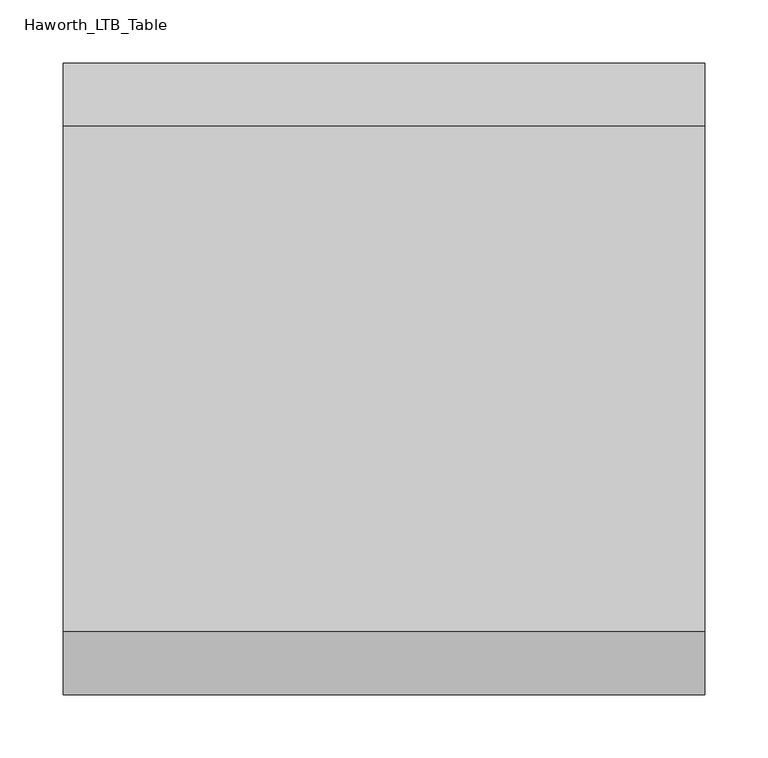
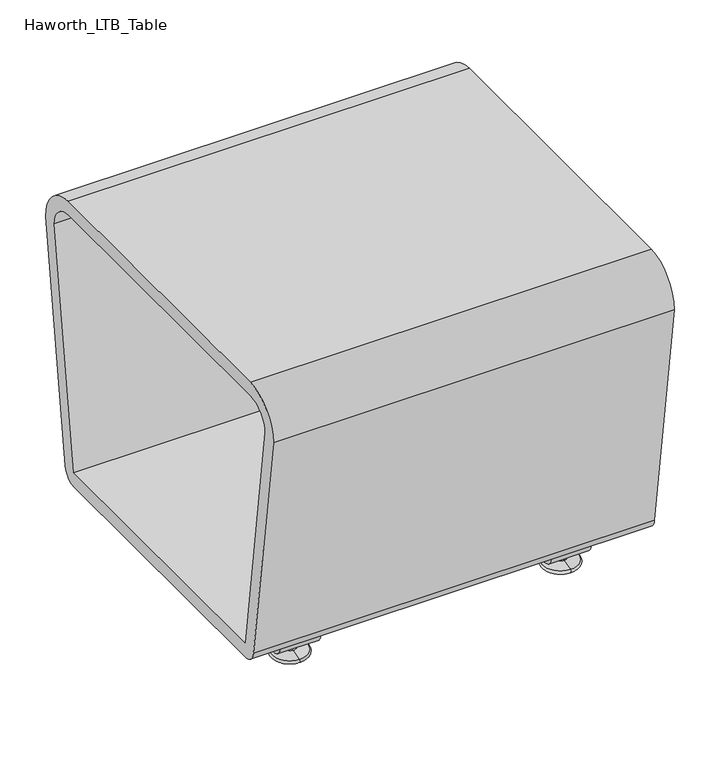
"""IFC4 building model written with IfcOpenShell, lengths in millimetres: furniture geometry, Haworth_LTB_Table."""

from ifc_helpers import new_model, si_unit, point, frame, frame_2d, origin, place, context, project, spatial, polyline, circle_curve, ellipse_curve, trimmed, segment, composite_curve, outline, extrude, source, transform, mapped, element, save
from ifc_brep_helpers import plane_surface, cylinder_surface, revolved_surface, advanced_brep


def haworth_ltb_table_1a22ce01(model_context):
    return source(origin(), model_context, "Body", "SolidModel", [
        advanced_brep(
        [(272.9954642, 579.3425052, 7.8133431), (272.9954642, 595.3355515, 7.8133431), (272.9954642, 592.1015284, 7.8133431), (272.9954642, 582.5765284, 7.8133431), (272.9954642, 565.4001513, 4.0775), (272.9954642, 609.2779054, 4.0775), (272.9954642, 565.8107026, 0.0), (272.9954642, 608.8673542, 0.0), (272.9954642, 587.3390284, 0.0), (272.9954642, 582.5765284, 50.0000004), (272.9954642, 592.1015284, 50.0000004), (272.9954642, 587.3390284, 50.0000004)],
        [
            (0, 1, circle_curve(frame((272.9954642, 587.3390284, 7.8133431), z_axis=(0.0, 0.0, 1.0), x_axis=(0.0, 1.0, 0.0)), 7.9965232)),
            (1, 2),
            (2, 3, circle_curve(frame((272.9954642, 587.3390284, 7.8133431), z_axis=(0.0, 0.0, -1.0), x_axis=(0.0, 1.0, 0.0)), 4.7625)),
            (3, 0),
            (1, 0, circle_curve(frame((272.9954642, 587.3390284, 7.8133431), z_axis=(0.0, 0.0, 1.0), x_axis=(0.0, 1.0, 0.0)), 7.9965232)),
            (3, 2, circle_curve(frame((272.9954642, 587.3390284, 7.8133431), z_axis=(0.0, 0.0, -1.0), x_axis=(0.0, 1.0, 0.0)), 4.7625)),
            (4, 5, circle_curve(frame((272.9954642, 587.3390284, 4.0775), z_axis=(0.0, 0.0, 1.0), x_axis=(0.0, 1.0, 0.0)), 21.9388771)),
            (5, 1),
            (0, 4),
            (5, 4, circle_curve(frame((272.9954642, 587.3390284, 4.0775), z_axis=(0.0, 0.0, 1.0), x_axis=(0.0, 1.0, 0.0)), 21.9388771)),
            (6, 7, circle_curve(frame((272.9954642, 587.3390284, 0.0), z_axis=(0.0, 0.0, 1.0), x_axis=(0.0, 1.0, 0.0)), 21.5283258)),
            (7, 5, circle_curve(frame((272.9954642, 608.7405822, 2.0721829), z_axis=(1.0, 0.0, 0.0), x_axis=(0.0, -1.0, 0.0)), 2.0760571)),
            (4, 6, circle_curve(frame((272.9954642, 565.9374745, 2.0721829), z_axis=(1.0, 0.0, 0.0), x_axis=(0.0, 1.0, 0.0)), 2.0760571)),
            (7, 6, circle_curve(frame((272.9954642, 587.3390284, 0.0), z_axis=(0.0, 0.0, 1.0), x_axis=(0.0, 1.0, 0.0)), 21.5283258)),
            (8, 7),
            (6, 8),
            (9, 10, circle_curve(frame((272.9954642, 587.3390284, 50.0000004), z_axis=(0.0, 0.0, 1.0), x_axis=(0.0, 1.0, 0.0)), 4.7625)),
            (10, 11),
            (11, 9),
            (10, 9, circle_curve(frame((272.9954642, 587.3390284, 50.0000004), z_axis=(0.0, 0.0, 1.0), x_axis=(0.0, 1.0, 0.0)), 4.7625)),
            (2, 10),
            (9, 3),
        ],
        [
            plane_surface(frame((272.9954642, 587.3390284, 7.8133431), z_axis=(0.0, 0.0, 1.0), x_axis=(0.0, 1.0, 0.0))),
            revolved_surface(polyline([(272.9954642, 595.3355515, 7.8133431), (272.9954642, 609.2779054, 4.0775)]), (272.9954642, 587.3390284, 0.0), (0.0, 0.0, -1.0)),
            revolved_surface(trimmed(ellipse_curve(frame((272.9954642, 608.7405822, 2.0721829), z_axis=(-1.0, 0.0, 0.0), x_axis=(0.0, -1.0, 0.0)), 2.0760571, 2.0760571), [point((272.9954642, 609.2779054, 4.0775))], [point((272.9954642, 608.8673542, 0.0))], True, "CARTESIAN"), (272.9954642, 587.3390284, 0.0), (0.0, 0.0, -1.0)),
            plane_surface(frame((272.9954642, 587.3390284, 0.0), z_axis=(0.0, 0.0, -1.0), x_axis=(0.0, 1.0, 0.0))),
            plane_surface(frame((272.9954642, 587.3390284, 50.0000004), z_axis=(0.0, 0.0, 1.0), x_axis=(0.0, 1.0, 0.0))),
            cylinder_surface(frame((272.9954642, 587.3390284, 0.0), z_axis=(0.0, 0.0, -1.0), x_axis=(0.0, 1.0, 0.0)), 4.7625),
        ],
        [
            (0, [[1, 2, 3, 4]]),
            (0, [[5, -4, 6, -2]]),
            (1, [[7, 8, -1, 9]]),
            (1, [[10, -9, -5, -8]]),
            (2, [[11, 12, -7, 13]]),
            (2, [[14, -13, -10, -12]]),
            (3, [[15, -11, 16]]),
            (3, [[-16, -14, -15]]),
            (4, [[17, 18, 19]]),
            (4, [[20, -19, -18]]),
            (5, [[-3, 21, -17, 22]]),
            (5, [[-6, -22, -20, -21]]),
        ],
    ),
        extrude(outline(composite_curve([segment(trimmed(circle_curve(frame_2d((596.494834, 30.0000007)), 15.000001), [point((611.348856, 27.9124042))], [point((596.494834, 14.9999997))], False, "CARTESIAN"), True, "CONTINUOUS"), segment(polyline([(596.494834, 14.9999997), (578.1832228, 14.9999997)]), True, "CONTINUOUS"), segment(trimmed(circle_curve(frame_2d((578.1832228, 30.0000007)), 15.000001), [point((578.1832228, 14.9999997))], [point((563.3292007, 27.9124042))], False, "CARTESIAN"), True, "CONTINUOUS"), segment(polyline([(563.3292007, 27.9124042), (560.2249917, 50.0000004), (565.9709154, 50.0000004), (568.9638262, 28.7043023)]), True, "CONTINUOUS"), segment(trimmed(circle_curve(frame_2d((578.1832241, 30.0000023)), 9.310002), [point((568.9638262, 28.7043023))], [point((578.1832241, 20.6900003))], True, "CARTESIAN"), True, "CONTINUOUS"), segment(polyline([(578.1832241, 20.6900003), (596.4948326, 20.6900003)]), True, "CONTINUOUS"), segment(trimmed(circle_curve(frame_2d((596.4948326, 30.0000023)), 9.310002), [point((596.4948326, 20.6900003))], [point((605.7142305, 28.7043023))], True, "CARTESIAN"), True, "CONTINUOUS"), segment(polyline([(605.7142305, 28.7043023), (608.7071413, 50.0000004), (614.453065, 50.0000004), (611.348856, 27.9124042)]), True, "CONTINUOUS")], self_intersect=False)), frame((247.5954642, 0.0, 0.0), z_axis=(1.0, 0.0, 0.0), x_axis=(0.0, 1.0, 0.0)), (0.0, 0.0, 1.0), 50.8),
        advanced_brep(
        [(616.0045358, 582.5765284, 7.8133431), (616.0045358, 592.1015284, 7.8133431), (616.0045358, 595.3355515, 7.8133431), (616.0045358, 579.3425052, 7.8133431), (616.0045358, 609.2779054, 4.0775), (616.0045358, 565.4001513, 4.0775), (616.0045358, 608.8673542, 0.0), (616.0045358, 565.8107026, 0.0), (616.0045358, 587.3390284, 0.0), (616.0045358, 587.3390284, 50.0000004), (616.0045358, 592.1015284, 50.0000004), (616.0045358, 582.5765284, 50.0000004)],
        [
            (0, 1, circle_curve(frame((616.0045358, 587.3390284, 7.8133431), z_axis=(0.0, 0.0, -1.0), x_axis=(0.0, 1.0, 0.0)), 4.7625)),
            (1, 2),
            (2, 3, circle_curve(frame((616.0045358, 587.3390284, 7.8133431), z_axis=(0.0, 0.0, 1.0), x_axis=(0.0, 1.0, 0.0)), 7.9965232)),
            (3, 0),
            (1, 0, circle_curve(frame((616.0045358, 587.3390284, 7.8133431), z_axis=(0.0, 0.0, -1.0), x_axis=(0.0, 1.0, 0.0)), 4.7625)),
            (3, 2, circle_curve(frame((616.0045358, 587.3390284, 7.8133431), z_axis=(0.0, 0.0, 1.0), x_axis=(0.0, 1.0, 0.0)), 7.9965232)),
            (2, 4),
            (4, 5, circle_curve(frame((616.0045358, 587.3390284, 4.0775), z_axis=(0.0, 0.0, 1.0), x_axis=(0.0, 1.0, 0.0)), 21.9388771)),
            (5, 3),
            (5, 4, circle_curve(frame((616.0045358, 587.3390284, 4.0775), z_axis=(0.0, 0.0, 1.0), x_axis=(0.0, 1.0, 0.0)), 21.9388771)),
            (4, 6, circle_curve(frame((616.0045358, 608.7405822, 2.0721829), z_axis=(-1.0, 0.0, 0.0), x_axis=(0.0, -1.0, 0.0)), 2.0760571)),
            (6, 7, circle_curve(frame((616.0045358, 587.3390284, 0.0), z_axis=(0.0, 0.0, 1.0), x_axis=(0.0, 1.0, 0.0)), 21.5283258)),
            (7, 5, circle_curve(frame((616.0045358, 565.9374745, 2.0721829), z_axis=(-1.0, 0.0, 0.0), x_axis=(0.0, 1.0, 0.0)), 2.0760571)),
            (7, 6, circle_curve(frame((616.0045358, 587.3390284, 0.0), z_axis=(0.0, 0.0, 1.0), x_axis=(0.0, 1.0, 0.0)), 21.5283258)),
            (6, 8),
            (8, 7),
            (9, 10),
            (10, 11, circle_curve(frame((616.0045358, 587.3390284, 50.0000004), z_axis=(0.0, 0.0, 1.0), x_axis=(0.0, 1.0, 0.0)), 4.7625)),
            (11, 9),
            (11, 10, circle_curve(frame((616.0045358, 587.3390284, 50.0000004), z_axis=(0.0, 0.0, 1.0), x_axis=(0.0, 1.0, 0.0)), 4.7625)),
            (10, 1),
            (0, 11),
        ],
        [
            plane_surface(frame((616.0045358, 587.3390284, 7.8133431), z_axis=(0.0, 0.0, 1.0), x_axis=(0.0, 1.0, 0.0))),
            revolved_surface(polyline([(616.0045358, 609.2779054, 4.0775), (616.0045358, 595.3355515, 7.8133431)]), (616.0045358, 587.3390284, 0.0), (0.0, 0.0, 1.0)),
            revolved_surface(trimmed(ellipse_curve(frame((616.0045358, 608.7405822, 2.0721829), z_axis=(1.0, 0.0, 0.0), x_axis=(0.0, -1.0, 0.0)), 2.0760571, 2.0760571), [point((616.0045358, 608.8673542, 0.0))], [point((616.0045358, 609.2779054, 4.0775))], True, "CARTESIAN"), (616.0045358, 587.3390284, 0.0), (0.0, 0.0, 1.0)),
            plane_surface(frame((616.0045358, 587.3390284, 0.0), z_axis=(0.0, 0.0, -1.0), x_axis=(0.0, 1.0, 0.0))),
            plane_surface(frame((616.0045358, 587.3390284, 50.0000004), z_axis=(0.0, 0.0, 1.0), x_axis=(0.0, 1.0, 0.0))),
            cylinder_surface(frame((616.0045358, 587.3390284, 0.0), z_axis=(0.0, 0.0, 1.0), x_axis=(0.0, 1.0, 0.0)), 4.7625),
        ],
        [
            (0, [[1, 2, 3, 4]]),
            (0, [[5, -4, 6, -2]]),
            (1, [[-3, 7, 8, 9]]),
            (1, [[-6, -9, 10, -7]]),
            (2, [[-8, 11, 12, 13]]),
            (2, [[-10, -13, 14, -11]]),
            (3, [[-12, 15, 16]]),
            (3, [[-14, -16, -15]]),
            (4, [[17, 18, 19]]),
            (4, [[-19, 20, -17]]),
            (5, [[-18, 21, -1, 22]]),
            (5, [[-20, -22, -5, -21]]),
        ],
    ),
        extrude(outline(composite_curve([segment(trimmed(circle_curve(frame_2d((596.494834, 30.0000007)), 15.000001), [point((611.348856, 27.9124042))], [point((596.494834, 14.9999997))], False, "CARTESIAN"), True, "CONTINUOUS"), segment(polyline([(596.494834, 14.9999997), (578.1832228, 14.9999997)]), True, "CONTINUOUS"), segment(trimmed(circle_curve(frame_2d((578.1832228, 30.0000007)), 15.000001), [point((578.1832228, 14.9999997))], [point((563.3292007, 27.9124042))], False, "CARTESIAN"), True, "CONTINUOUS"), segment(polyline([(563.3292007, 27.9124042), (560.2249917, 50.0000004), (565.9709154, 50.0000004), (568.9638262, 28.7043023)]), True, "CONTINUOUS"), segment(trimmed(circle_curve(frame_2d((578.1832241, 30.0000023)), 9.310002), [point((568.9638262, 28.7043023))], [point((578.1832241, 20.6900003))], True, "CARTESIAN"), True, "CONTINUOUS"), segment(polyline([(578.1832241, 20.6900003), (596.4948326, 20.6900003)]), True, "CONTINUOUS"), segment(trimmed(circle_curve(frame_2d((596.4948326, 30.0000023)), 9.310002), [point((596.4948326, 20.6900003))], [point((605.7142305, 28.7043023))], True, "CARTESIAN"), True, "CONTINUOUS"), segment(polyline([(605.7142305, 28.7043023), (608.7071413, 50.0000004), (614.453065, 50.0000004), (611.348856, 27.9124042)]), True, "CONTINUOUS")], self_intersect=False)), frame((590.6045358, 0.0, 0.0), z_axis=(1.0, 0.0, 0.0), x_axis=(0.0, 1.0, 0.0)), (0.0, 0.0, 1.0), 50.8),
        advanced_brep(
        [(272.9954642, 306.4234716, 7.8133431), (272.9954642, 296.8984716, 7.8133431), (272.9954642, 293.6644485, 7.8133431), (272.9954642, 309.6574948, 7.8133431), (272.9954642, 279.7220946, 4.0775), (272.9954642, 323.5998487, 4.0775), (272.9954642, 280.1326458, 0.0), (272.9954642, 323.1892974, 0.0), (272.9954642, 301.6609716, 0.0), (272.9954642, 301.6609716, 50.0000004), (272.9954642, 296.8984716, 50.0000004), (272.9954642, 306.4234716, 50.0000004)],
        [
            (0, 1, circle_curve(frame((272.9954642, 301.6609716, 7.8133431), z_axis=(0.0, 0.0, -1.0), x_axis=(0.0, -1.0, 0.0)), 4.7625)),
            (1, 2),
            (2, 3, circle_curve(frame((272.9954642, 301.6609716, 7.8133431), z_axis=(0.0, 0.0, 1.0), x_axis=(0.0, -1.0, 0.0)), 7.9965232)),
            (3, 0),
            (1, 0, circle_curve(frame((272.9954642, 301.6609716, 7.8133431), z_axis=(0.0, 0.0, -1.0), x_axis=(0.0, -1.0, 0.0)), 4.7625)),
            (3, 2, circle_curve(frame((272.9954642, 301.6609716, 7.8133431), z_axis=(0.0, 0.0, 1.0), x_axis=(0.0, -1.0, 0.0)), 7.9965232)),
            (2, 4),
            (4, 5, circle_curve(frame((272.9954642, 301.6609716, 4.0775), z_axis=(0.0, 0.0, 1.0), x_axis=(0.0, -1.0, 0.0)), 21.9388771)),
            (5, 3),
            (5, 4, circle_curve(frame((272.9954642, 301.6609716, 4.0775), z_axis=(0.0, 0.0, 1.0), x_axis=(0.0, -1.0, 0.0)), 21.9388771)),
            (4, 6, circle_curve(frame((272.9954642, 280.2594178, 2.0721829), z_axis=(1.0, 0.0, 0.0), x_axis=(0.0, 1.0, 0.0)), 2.0760571)),
            (6, 7, circle_curve(frame((272.9954642, 301.6609716, 0.0), z_axis=(0.0, 0.0, 1.0), x_axis=(0.0, -1.0, 0.0)), 21.5283258)),
            (7, 5, circle_curve(frame((272.9954642, 323.0625255, 2.0721829), z_axis=(1.0, 0.0, 0.0), x_axis=(0.0, -1.0, 0.0)), 2.0760571)),
            (7, 6, circle_curve(frame((272.9954642, 301.6609716, 0.0), z_axis=(0.0, 0.0, 1.0), x_axis=(0.0, -1.0, 0.0)), 21.5283258)),
            (6, 8),
            (8, 7),
            (9, 10),
            (10, 11, circle_curve(frame((272.9954642, 301.6609716, 50.0000004), z_axis=(0.0, 0.0, 1.0), x_axis=(0.0, -1.0, 0.0)), 4.7625)),
            (11, 9),
            (11, 10, circle_curve(frame((272.9954642, 301.6609716, 50.0000004), z_axis=(0.0, 0.0, 1.0), x_axis=(0.0, -1.0, 0.0)), 4.7625)),
            (10, 1),
            (0, 11),
        ],
        [
            plane_surface(frame((272.9954642, 301.6609716, 7.8133431), z_axis=(0.0, 0.0, 1.0), x_axis=(0.0, -1.0, 0.0))),
            revolved_surface(polyline([(272.9954642, 279.7220946, 4.0775), (272.9954642, 293.6644485, 7.8133431)]), (272.9954642, 301.6609716, 0.0), (0.0, 0.0, 1.0)),
            revolved_surface(trimmed(ellipse_curve(frame((272.9954642, 280.2594178, 2.0721829), z_axis=(-1.0, 0.0, 0.0), x_axis=(0.0, 1.0, 0.0)), 2.0760571, 2.0760571), [point((272.9954642, 280.1326458, 0.0))], [point((272.9954642, 279.7220946, 4.0775))], True, "CARTESIAN"), (272.9954642, 301.6609716, 0.0), (0.0, 0.0, 1.0)),
            plane_surface(frame((272.9954642, 301.6609716, 0.0), z_axis=(0.0, 0.0, -1.0), x_axis=(0.0, -1.0, 0.0))),
            plane_surface(frame((272.9954642, 301.6609716, 50.0000004), z_axis=(0.0, 0.0, 1.0), x_axis=(0.0, -1.0, 0.0))),
            cylinder_surface(frame((272.9954642, 301.6609716, 0.0), z_axis=(0.0, 0.0, 1.0), x_axis=(0.0, -1.0, 0.0)), 4.7625),
        ],
        [
            (0, [[1, 2, 3, 4]]),
            (0, [[5, -4, 6, -2]]),
            (1, [[-3, 7, 8, 9]]),
            (1, [[-6, -9, 10, -7]]),
            (2, [[-8, 11, 12, 13]]),
            (2, [[-10, -13, 14, -11]]),
            (3, [[-12, 15, 16]]),
            (3, [[-14, -16, -15]]),
            (4, [[17, 18, 19]]),
            (4, [[-19, 20, -17]]),
            (5, [[-18, 21, -1, 22]]),
            (5, [[-20, -22, -5, -21]]),
        ],
    ),
        extrude(outline(composite_curve([segment(polyline([(277.651144, 27.9124042), (274.546935, 50.0000004), (280.2928587, 50.0000004), (283.2857695, 28.7043023)]), True, "CONTINUOUS"), segment(trimmed(circle_curve(frame_2d((292.5051674, 30.0000023)), 9.310002), [point((283.2857695, 28.7043023))], [point((292.5051674, 20.6900003))], True, "CARTESIAN"), True, "CONTINUOUS"), segment(polyline([(292.5051674, 20.6900003), (310.8167759, 20.6900003)]), True, "CONTINUOUS"), segment(trimmed(circle_curve(frame_2d((310.8167759, 30.0000023)), 9.310002), [point((310.8167759, 20.6900003))], [point((320.0361738, 28.7043023))], True, "CARTESIAN"), True, "CONTINUOUS"), segment(polyline([(320.0361738, 28.7043023), (323.0290846, 50.0000004), (328.7750083, 50.0000004), (325.6707993, 27.9124042)]), True, "CONTINUOUS"), segment(trimmed(circle_curve(frame_2d((310.8167772, 30.0000007)), 15.000001), [point((325.6707993, 27.9124042))], [point((310.8167772, 14.9999997))], False, "CARTESIAN"), True, "CONTINUOUS"), segment(polyline([(310.8167772, 14.9999997), (292.505166, 14.9999997)]), True, "CONTINUOUS"), segment(trimmed(circle_curve(frame_2d((292.505166, 30.0000007)), 15.000001), [point((292.505166, 14.9999997))], [point((277.651144, 27.9124042))], False, "CARTESIAN"), True, "CONTINUOUS")], self_intersect=False)), frame((247.5954642, 0.0, 0.0), z_axis=(1.0, 0.0, 0.0), x_axis=(0.0, 1.0, 0.0)), (0.0, 0.0, 1.0), 50.8),
        advanced_brep(
        [(616.0045358, 309.6574948, 7.8133431), (616.0045358, 293.6644485, 7.8133431), (616.0045358, 296.8984716, 7.8133431), (616.0045358, 306.4234716, 7.8133431), (616.0045358, 323.5998487, 4.0775), (616.0045358, 279.7220946, 4.0775), (616.0045358, 323.1892974, 0.0), (616.0045358, 280.1326458, 0.0), (616.0045358, 301.6609716, 0.0), (616.0045358, 306.4234716, 50.0000004), (616.0045358, 296.8984716, 50.0000004), (616.0045358, 301.6609716, 50.0000004)],
        [
            (0, 1, circle_curve(frame((616.0045358, 301.6609716, 7.8133431), z_axis=(0.0, 0.0, 1.0), x_axis=(0.0, -1.0, 0.0)), 7.9965232)),
            (1, 2),
            (2, 3, circle_curve(frame((616.0045358, 301.6609716, 7.8133431), z_axis=(0.0, 0.0, -1.0), x_axis=(0.0, -1.0, 0.0)), 4.7625)),
            (3, 0),
            (1, 0, circle_curve(frame((616.0045358, 301.6609716, 7.8133431), z_axis=(0.0, 0.0, 1.0), x_axis=(0.0, -1.0, 0.0)), 7.9965232)),
            (3, 2, circle_curve(frame((616.0045358, 301.6609716, 7.8133431), z_axis=(0.0, 0.0, -1.0), x_axis=(0.0, -1.0, 0.0)), 4.7625)),
            (4, 5, circle_curve(frame((616.0045358, 301.6609716, 4.0775), z_axis=(0.0, 0.0, 1.0), x_axis=(0.0, -1.0, 0.0)), 21.9388771)),
            (5, 1),
            (0, 4),
            (5, 4, circle_curve(frame((616.0045358, 301.6609716, 4.0775), z_axis=(0.0, 0.0, 1.0), x_axis=(0.0, -1.0, 0.0)), 21.9388771)),
            (6, 7, circle_curve(frame((616.0045358, 301.6609716, 0.0), z_axis=(0.0, 0.0, 1.0), x_axis=(0.0, -1.0, 0.0)), 21.5283258)),
            (7, 5, circle_curve(frame((616.0045358, 280.2594178, 2.0721829), z_axis=(-1.0, 0.0, 0.0), x_axis=(0.0, 1.0, 0.0)), 2.0760571)),
            (4, 6, circle_curve(frame((616.0045358, 323.0625255, 2.0721829), z_axis=(-1.0, 0.0, 0.0), x_axis=(0.0, -1.0, 0.0)), 2.0760571)),
            (7, 6, circle_curve(frame((616.0045358, 301.6609716, 0.0), z_axis=(0.0, 0.0, 1.0), x_axis=(0.0, -1.0, 0.0)), 21.5283258)),
            (8, 7),
            (6, 8),
            (9, 10, circle_curve(frame((616.0045358, 301.6609716, 50.0000004), z_axis=(0.0, 0.0, 1.0), x_axis=(0.0, -1.0, 0.0)), 4.7625)),
            (10, 11),
            (11, 9),
            (10, 9, circle_curve(frame((616.0045358, 301.6609716, 50.0000004), z_axis=(0.0, 0.0, 1.0), x_axis=(0.0, -1.0, 0.0)), 4.7625)),
            (2, 10),
            (9, 3),
        ],
        [
            plane_surface(frame((616.0045358, 301.6609716, 7.8133431), z_axis=(0.0, 0.0, 1.0), x_axis=(0.0, -1.0, 0.0))),
            revolved_surface(polyline([(616.0045358, 293.6644485, 7.8133431), (616.0045358, 279.7220946, 4.0775)]), (616.0045358, 301.6609716, 0.0), (0.0, 0.0, -1.0)),
            revolved_surface(trimmed(ellipse_curve(frame((616.0045358, 280.2594178, 2.0721829), z_axis=(1.0, 0.0, 0.0), x_axis=(0.0, 1.0, 0.0)), 2.0760571, 2.0760571), [point((616.0045358, 279.7220946, 4.0775))], [point((616.0045358, 280.1326458, 0.0))], True, "CARTESIAN"), (616.0045358, 301.6609716, 0.0), (0.0, 0.0, -1.0)),
            plane_surface(frame((616.0045358, 301.6609716, 0.0), z_axis=(0.0, 0.0, -1.0), x_axis=(0.0, -1.0, 0.0))),
            plane_surface(frame((616.0045358, 301.6609716, 50.0000004), z_axis=(0.0, 0.0, 1.0), x_axis=(0.0, -1.0, 0.0))),
            cylinder_surface(frame((616.0045358, 301.6609716, 0.0), z_axis=(0.0, 0.0, -1.0), x_axis=(0.0, -1.0, 0.0)), 4.7625),
        ],
        [
            (0, [[1, 2, 3, 4]]),
            (0, [[5, -4, 6, -2]]),
            (1, [[7, 8, -1, 9]]),
            (1, [[10, -9, -5, -8]]),
            (2, [[11, 12, -7, 13]]),
            (2, [[14, -13, -10, -12]]),
            (3, [[15, -11, 16]]),
            (3, [[-16, -14, -15]]),
            (4, [[17, 18, 19]]),
            (4, [[20, -19, -18]]),
            (5, [[-3, 21, -17, 22]]),
            (5, [[-6, -22, -20, -21]]),
        ],
    ),
        extrude(outline(composite_curve([segment(polyline([(277.651144, 27.9124042), (274.546935, 50.0000004), (280.2928587, 50.0000004), (283.2857695, 28.7043023)]), True, "CONTINUOUS"), segment(trimmed(circle_curve(frame_2d((292.5051674, 30.0000023)), 9.310002), [point((283.2857695, 28.7043023))], [point((292.5051674, 20.6900003))], True, "CARTESIAN"), True, "CONTINUOUS"), segment(polyline([(292.5051674, 20.6900003), (310.8167759, 20.6900003)]), True, "CONTINUOUS"), segment(trimmed(circle_curve(frame_2d((310.8167759, 30.0000023)), 9.310002), [point((310.8167759, 20.6900003))], [point((320.0361738, 28.7043023))], True, "CARTESIAN"), True, "CONTINUOUS"), segment(polyline([(320.0361738, 28.7043023), (323.0290846, 50.0000004), (328.7750083, 50.0000004), (325.6707993, 27.9124042)]), True, "CONTINUOUS"), segment(trimmed(circle_curve(frame_2d((310.8167772, 30.0000007)), 15.000001), [point((325.6707993, 27.9124042))], [point((310.8167772, 14.9999997))], False, "CARTESIAN"), True, "CONTINUOUS"), segment(polyline([(310.8167772, 14.9999997), (292.505166, 14.9999997)]), True, "CONTINUOUS"), segment(trimmed(circle_curve(frame_2d((292.505166, 30.0000007)), 15.000001), [point((292.505166, 14.9999997))], [point((277.651144, 27.9124042))], False, "CARTESIAN"), True, "CONTINUOUS")], self_intersect=False)), frame((590.6045358, 0.0, 0.0), z_axis=(1.0, 0.0, 0.0), x_axis=(0.0, 1.0, 0.0)), (0.0, 0.0, 1.0), 50.8),
        extrude(outline(composite_curve([segment(polyline([(694.4820603, 374.65), (651.1541239, 66.3557108)]), True, "CONTINUOUS"), segment(trimmed(circle_curve(frame_2d((632.3390314, 68.9999996)), 18.9999992), [point((651.1541239, 66.3557108))], [point((632.3390314, 50.0000004))], False, "CARTESIAN"), True, "CONTINUOUS"), segment(polyline([(632.3390314, 50.0000004), (256.6609686, 50.0000004)]), True, "CONTINUOUS"), segment(trimmed(circle_curve(frame_2d((256.6609686, 68.9999996)), 18.9999992), [point((256.6609686, 50.0000004))], [point((237.8458761, 66.3557108))], False, "CARTESIAN"), True, "CONTINUOUS"), segment(polyline([(237.8458761, 66.3557108), (194.5179397, 374.65)]), True, "CONTINUOUS"), segment(trimmed(circle_curve(frame_2d((245.8430913, 373.6843082)), 51.3342356), [point((194.5179397, 374.65))], [point((244.4635418, 425.0000035))], False, "CARTESIAN"), True, "CONTINUOUS"), segment(polyline([(244.4635418, 425.0000035), (644.5364582, 425.0000035)]), True, "CONTINUOUS"), segment(trimmed(circle_curve(frame_2d((643.1569087, 373.6843082)), 51.3342356), [point((644.5364582, 425.0000035))], [point((694.4820603, 374.65))], False, "CARTESIAN"), True, "CONTINUOUS")], self_intersect=False), holes=[composite_curve([segment(polyline([(213.5226378, 376.1711523), (256.6927135, 68.9999989), (632.3072865, 68.9999989), (675.4773622, 376.1711523)]), True, "CONTINUOUS"), segment(trimmed(circle_curve(frame_2d((644.4995041, 375.000035)), 30.9999872), [point((675.4773622, 376.1711523))], [point((644.5364582, 406.0000002))], True, "CARTESIAN"), True, "CONTINUOUS"), segment(polyline([(644.5364582, 406.0000002), (244.4635418, 406.0000002)]), True, "CONTINUOUS"), segment(trimmed(circle_curve(frame_2d((244.5004959, 375.000035)), 30.9999872), [point((244.4635418, 406.0000002))], [point((213.5226378, 376.1711523))], True, "CARTESIAN"), True, "CONTINUOUS")], self_intersect=False)]), frame((190.5, 0.0, 0.0), z_axis=(1.0, 0.0, 0.0), x_axis=(0.0, 1.0, 0.0)), (0.0, 0.0, 1.0), 508.0),
    ])


if __name__ == "__main__":
    model = new_model("IFC4")
    model_context = context("Model", 3, world=origin())
    ifc_project = project(units=[si_unit("LENGTHUNIT", "METRE", prefix="MILLI")], contexts=[model_context])
    site = spatial("IfcSite", under=ifc_project)
    building = spatial("IfcBuilding", under=site)
    placement = place(None, origin())
    haworth_ltb_table_shape = haworth_ltb_table_1a22ce01(model_context)
    element("IfcFurniture", 1, ObjectType="Haworth_LTB_Table", at=placement, inside=building, context=model_context, shape_type="MappedRepresentation", body=[
        mapped(haworth_ltb_table_shape, transform((0.0, 0.0, 0.0), x_axis=(1.0, 0.0, 0.0), y_axis=(0.0, 1.0, 0.0), z_axis=(0.0, 0.0, 1.0))),
    ])
    save(model, "model.ifc")
